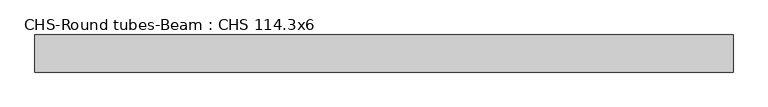
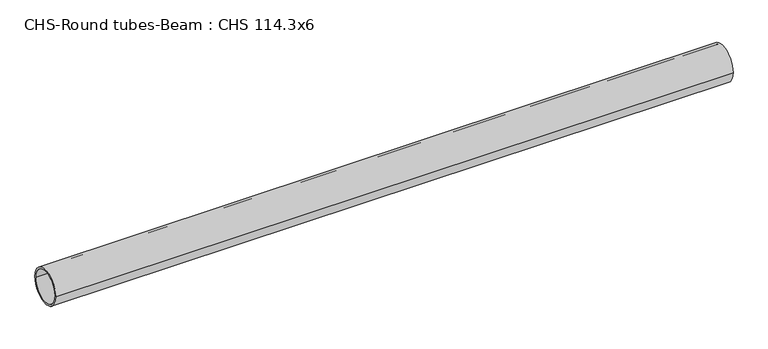
"""IFC4 building model written with IfcOpenShell, lengths in millimetres: beam geometry, CHS-Round tubes-Beam : CHS 114.3x6."""

from ifc_helpers import new_model, si_unit, point, frame, origin, origin_2d, place, context, project, spatial, circle_curve, trimmed, segment, composite_curve, outline, extrude, source, transform, mapped, element, save


def chs_round_tubes_beam_chs_114_3x6_c46e72e3(model_context):
    return source(origin(), model_context, "Body", "SweptSolid", [
        extrude(outline(composite_curve([segment(trimmed(circle_curve(origin_2d(), 57.15), [point((57.15, 0.0))], [point((-57.15, 0.0))], False, "CARTESIAN"), True, "CONTINUOUS"), segment(trimmed(circle_curve(origin_2d(), 57.15), [point((-57.15, 0.0))], [point((57.15, 0.0))], False, "CARTESIAN"), True, "CONTINUOUS")], self_intersect=False), holes=[composite_curve([segment(trimmed(circle_curve(origin_2d(), 51.15), [point((51.15, 0.0))], [point((-51.15, 0.0))], True, "CARTESIAN"), True, "CONTINUOUS"), segment(trimmed(circle_curve(origin_2d(), 51.15), [point((-51.15, 0.0))], [point((51.15, 0.0))], True, "CARTESIAN"), True, "CONTINUOUS")], self_intersect=False)]), frame((-968.0665819, 0.0, 0.0), z_axis=(1.0, 0.0, 0.0), x_axis=(0.0, 1.0, 0.0)), (0.0, 0.0, 1.0), 2149.5315639),
    ])


if __name__ == "__main__":
    model = new_model("IFC4")
    model_context = context("Model", 3, world=origin())
    ifc_project = project(units=[si_unit("LENGTHUNIT", "METRE", prefix="MILLI")], contexts=[model_context])
    site = spatial("IfcSite", under=ifc_project)
    building = spatial("IfcBuilding", under=site)
    placement = place(None, origin())
    chs_round_tubes_beam_chs_114_3x6_shape = chs_round_tubes_beam_chs_114_3x6_c46e72e3(model_context)
    element("IfcBeam", 1, ObjectType="CHS-Round tubes-Beam : CHS 114.3x6", at=placement, inside=building, context=model_context, shape_type="MappedRepresentation", body=[
        mapped(chs_round_tubes_beam_chs_114_3x6_shape, transform((0.0, 0.0, 0.0), x_axis=(1.0, 0.0, 0.0), y_axis=(0.0, 1.0, 0.0), z_axis=(0.0, 0.0, 1.0))),
    ])
    save(model, "model.ifc")
